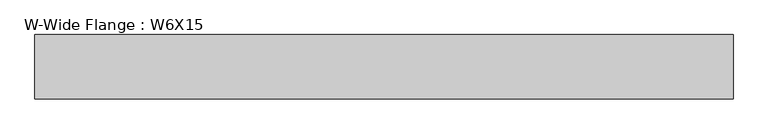
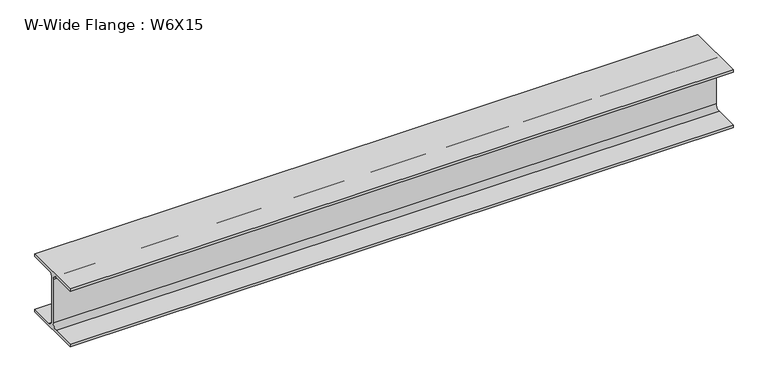
"""IFC4 building model written with IfcOpenShell, lengths in millimetres: beam geometry, W-Wide Flange : W6X15."""

from ifc_helpers import new_model, si_unit, point, frame, frame_2d, origin, place, context, project, spatial, polyline, circle_curve, trimmed, segment, composite_curve, outline, extrude, source, transform, mapped, element, save


def w_wide_flange_w6x15_44bb1832(model_context):
    return source(origin(), model_context, "Body", "SweptSolid", [
        extrude(outline(composite_curve([segment(polyline([(76.0511719, -69.4035156), (76.0511719, -76.0511719), (-76.0511719, -76.0511719), (-76.0511719, -69.4035156), (-15.3292969, -69.4035156)]), True, "CONTINUOUS"), segment(trimmed(circle_curve(frame_2d((-15.3292969, -57.0011719)), 12.4023437), [point((-15.3292969, -69.4035156))], [point((-2.9269531, -57.0011719))], True, "CARTESIAN"), True, "CONTINUOUS"), segment(polyline([(-2.9269531, -57.0011719), (-2.9269531, 57.0011719)]), True, "CONTINUOUS"), segment(trimmed(circle_curve(frame_2d((-15.3292969, 57.0011719)), 12.4023438), [point((-2.9269531, 57.0011719))], [point((-15.3292969, 69.4035156))], True, "CARTESIAN"), True, "CONTINUOUS"), segment(polyline([(-15.3292969, 69.4035156), (-76.0511719, 69.4035156), (-76.0511719, 76.0511719), (76.0511719, 76.0511719), (76.0511719, 69.4035156), (15.3292969, 69.4035156)]), True, "CONTINUOUS"), segment(trimmed(circle_curve(frame_2d((15.3292969, 57.0011719)), 12.4023438), [point((15.3292969, 69.4035156))], [point((2.9269531, 57.0011719))], True, "CARTESIAN"), True, "CONTINUOUS"), segment(polyline([(2.9269531, 57.0011719), (2.9269531, -57.0011719)]), True, "CONTINUOUS"), segment(trimmed(circle_curve(frame_2d((15.3292969, -57.0011719)), 12.4023438), [point((2.9269531, -57.0011719))], [point((15.3292969, -69.4035156))], True, "CARTESIAN"), True, "CONTINUOUS"), segment(polyline([(15.3292969, -69.4035156), (76.0511719, -69.4035156)]), True, "CONTINUOUS")], self_intersect=False)), frame((-844.55, 0.0, 0.0), z_axis=(1.0, 0.0, 0.0), x_axis=(0.0, 1.0, 0.0)), (0.0, 0.0, 1.0), 1652.7859375),
    ])


if __name__ == "__main__":
    model = new_model("IFC4")
    model_context = context("Model", 3, world=origin())
    ifc_project = project(units=[si_unit("LENGTHUNIT", "METRE", prefix="MILLI")], contexts=[model_context])
    site = spatial("IfcSite", under=ifc_project)
    building = spatial("IfcBuilding", under=site)
    placement = place(None, origin())
    w_wide_flange_w6x15_shape = w_wide_flange_w6x15_44bb1832(model_context)
    element("IfcBeam", 1, ObjectType="W-Wide Flange : W6X15", at=placement, inside=building, context=model_context, shape_type="MappedRepresentation", body=[
        mapped(w_wide_flange_w6x15_shape, transform((0.0, 0.0, 0.0), x_axis=(1.0, 0.0, 0.0), y_axis=(0.0, 1.0, 0.0), z_axis=(0.0, 0.0, 1.0))),
    ])
    save(model, "model.ifc")
